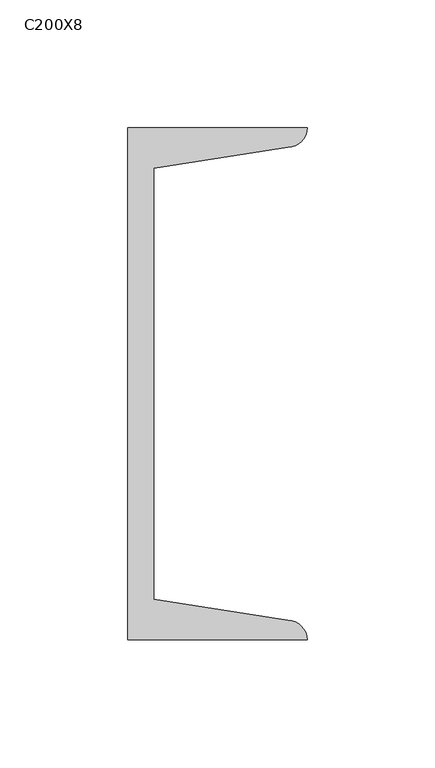
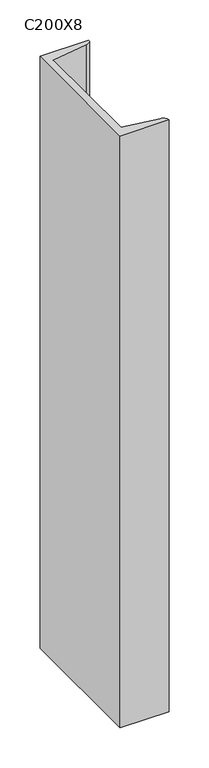
"""IFC4 building model written with IfcOpenShell, lengths in millimetres: column geometry, C200X8."""

from ifc_helpers import new_model, si_unit, point, frame, frame_2d, origin, place, context, project, spatial, polyline, circle_curve, trimmed, segment, composite_curve, outline, extrude, source, transform, mapped, element, save


def c200x8_68845001(model_context):
    return source(origin(), model_context, "Body", "SweptSolid", [
        extrude(outline(composite_curve([segment(polyline([(5.0, 100.0), (75.0, 100.0)]), True, "CONTINUOUS"), segment(trimmed(circle_curve(frame_2d((67.5, 100.0)), 7.5), [point((75.0, 100.0))], [point((67.5, 92.5))], False, "CARTESIAN"), True, "CONTINUOUS"), segment(polyline([(67.5, 92.5), (15.0, 84.1848169), (15.0, -84.1848169), (67.5, -92.5)]), True, "CONTINUOUS"), segment(trimmed(circle_curve(frame_2d((67.5, -100.0)), 7.5), [point((67.5, -92.5))], [point((75.0, -100.0))], False, "CARTESIAN"), True, "CONTINUOUS"), segment(polyline([(75.0, -100.0), (5.0, -100.0), (5.0, 100.0)]), True, "CONTINUOUS")], self_intersect=False)), frame((0.0, 0.0, 9360.0), z_axis=(0.0, 0.0, 1.0), x_axis=(1.0, 0.0, 0.0)), (0.0, 0.0, 1.0), 900.0),
    ])


if __name__ == "__main__":
    model = new_model("IFC4")
    model_context = context("Model", 3, world=origin())
    ifc_project = project(units=[si_unit("LENGTHUNIT", "METRE", prefix="MILLI")], contexts=[model_context])
    site = spatial("IfcSite", under=ifc_project)
    building = spatial("IfcBuilding", under=site)
    placement = place(None, origin())
    c200x8_shape = c200x8_68845001(model_context)
    element("IfcColumn", 1, ObjectType="C200X8", at=placement, inside=building, context=model_context, shape_type="MappedRepresentation", body=[
        mapped(c200x8_shape, transform((0.0, 0.0, 0.0), x_axis=(1.0, 0.0, 0.0), y_axis=(0.0, 1.0, 0.0), z_axis=(0.0, 0.0, 1.0))),
    ])
    save(model, "model.ifc")
